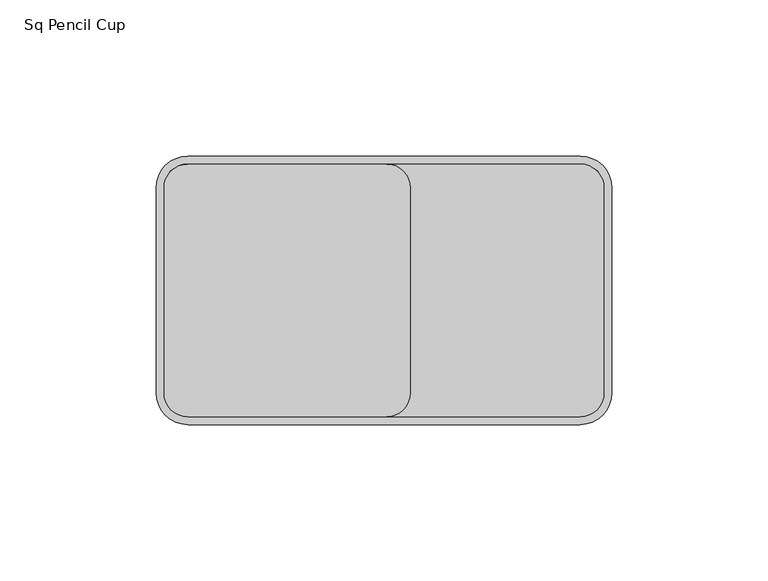
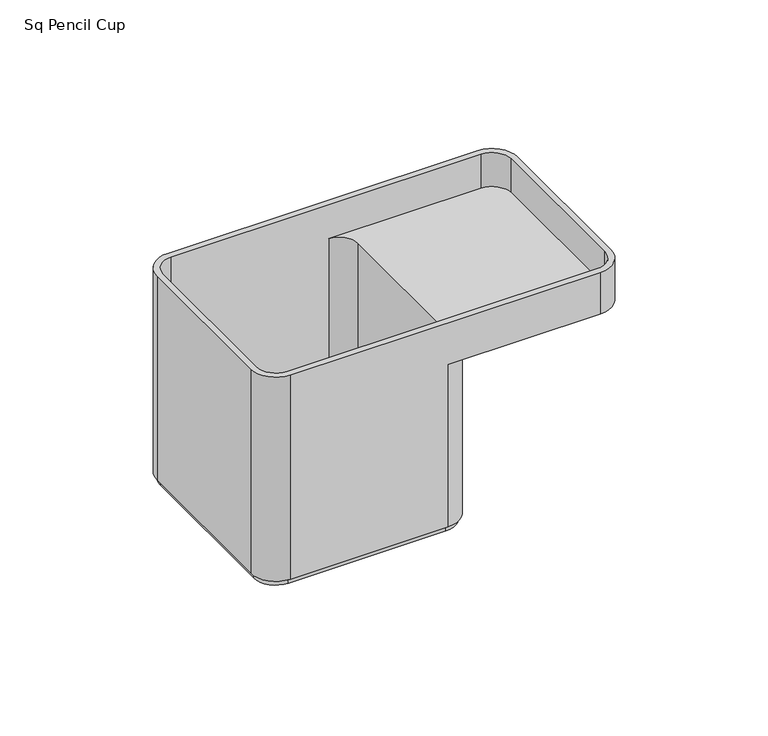
"""IFC4 building model written with IfcOpenShell, lengths in millimetres: furniture geometry, Sq Pencil Cup."""

from ifc_helpers import new_model, si_unit, frame, origin, place, context, project, spatial, polyline, circle_curve, source, transform, mapped, element, save
from ifc_brep_helpers import plane_surface, cylinder_surface, revolved_surface, advanced_brep


def sq_pencil_cup_6a793c5a(model_context):
    return source(origin(), model_context, "Body", "AdvancedBrep", [
        advanced_brep(
        [(135.8368959, 0.0, 826.5922), (10.1623041, 0.0, 826.5922), (0.0, -10.1623041, 826.5922), (0.0, -75.8166959, 826.5922), (10.1623041, -85.979, 826.5922), (135.8368959, -85.979, 826.5922), (145.9992, -75.8166959, 826.5922), (145.9992, -10.1623041, 826.5922), (2.54, -75.8166959, 826.5922), (2.54, -10.1623041, 826.5922), (10.1623041, -2.54, 826.5922), (135.8368959, -2.54, 826.5922), (143.4592, -10.1623041, 826.5922), (143.4592, -75.8166959, 826.5922), (135.8368959, -83.439, 826.5922), (10.1623041, -83.439, 826.5922), (1.27, -10.1623041, 736.6), (10.1623041, -1.27, 736.6), (73.9521, -1.27, 736.6), (82.8421, -10.16, 736.6), (82.8421, -75.819, 736.6), (73.9521, -84.709, 736.6), (10.1623041, -84.709, 736.6), (1.27, -75.8166959, 736.6), (135.8368959, 0.0, 808.8122), (73.9521, 0.0, 808.8122), (73.9521, 0.0, 739.14), (10.1623041, 0.0, 739.14), (0.0, -10.1623041, 739.14), (0.0, -75.8166959, 739.14), (10.1623041, -85.979, 739.14), (73.9521, -85.979, 739.14), (73.9521, -85.979, 808.8122), (135.8368959, -85.979, 808.8122), (145.9992, -75.8166959, 808.8122), (145.9992, -10.1623041, 808.8122), (135.8368959, -83.439, 812.0470343), (143.4592, -75.8166959, 812.0470343), (143.4592, -10.1623041, 812.0470343), (135.8368959, -2.54, 812.0470343), (73.9521, -2.54, 812.0470343), (81.5721, -10.16, 812.0470343), (81.5721, -75.819, 812.0470343), (73.9521, -83.439, 812.0470343), (2.54, -75.8166959, 812.0470343), (2.54, -75.8166959, 739.14), (2.54, -10.1623041, 739.14), (2.54, -10.1623041, 812.0470343), (10.1623041, -83.439, 812.0470343), (73.9521, -83.439, 739.14), (10.1623041, -83.439, 739.14), (10.1623041, -2.54, 812.0470343), (10.1623041, -2.54, 739.14), (73.9521, -2.54, 739.14), (81.5721, -75.819, 739.14), (81.5721, -10.16, 739.14), (84.1121, -10.16, 808.8122), (84.1121, -75.819, 808.8122), (84.1121, -75.819, 739.14), (84.1121, -10.16, 739.14), (1.27, -10.1623041, 739.14), (1.27, -75.8166959, 739.14), (10.1623041, -84.709, 739.14), (73.9521, -84.709, 739.14), (82.8421, -75.819, 739.14), (82.8421, -10.16, 739.14), (73.9521, -1.27, 739.14), (10.1623041, -1.27, 739.14)],
        [
            (0, 1),
            (1, 2, circle_curve(frame((10.1623041, -10.1623041, 826.5922), z_axis=(0.0, 0.0, 1.0), x_axis=(1.0, 0.0, 0.0)), 10.1623041)),
            (2, 3),
            (3, 4, circle_curve(frame((10.1623041, -75.8166959, 826.5922), z_axis=(0.0, 0.0, 1.0), x_axis=(1.0, 0.0, 0.0)), 10.1623041)),
            (4, 5),
            (5, 6, circle_curve(frame((135.8368959, -75.8166959, 826.5922), z_axis=(0.0, 0.0, 1.0), x_axis=(1.0, 0.0, 0.0)), 10.1623041)),
            (6, 7),
            (7, 0, circle_curve(frame((135.8368959, -10.1623041, 826.5922), z_axis=(0.0, 0.0, 1.0), x_axis=(1.0, 0.0, 0.0)), 10.1623041)),
            (8, 9),
            (9, 10, circle_curve(frame((10.1623041, -10.1623041, 826.5922), z_axis=(0.0, 0.0, -1.0), x_axis=(1.0, 0.0, 0.0)), 7.6223041)),
            (10, 11),
            (11, 12, circle_curve(frame((135.8368959, -10.1623041, 826.5922), z_axis=(0.0, 0.0, -1.0), x_axis=(1.0, 0.0, 0.0)), 7.6223041)),
            (12, 13),
            (13, 14, circle_curve(frame((135.8368959, -75.8166959, 826.5922), z_axis=(0.0, 0.0, -1.0), x_axis=(1.0, 0.0, 0.0)), 7.6223041)),
            (14, 15),
            (15, 8, circle_curve(frame((10.1623041, -75.8166959, 826.5922), z_axis=(0.0, 0.0, -1.0), x_axis=(1.0, 0.0, 0.0)), 7.6223041)),
            (16, 17, circle_curve(frame((10.1623041, -10.1623041, 736.6), z_axis=(0.0, 0.0, -1.0), x_axis=(1.0, 0.0, 0.0)), 8.8923041)),
            (17, 18),
            (18, 19, circle_curve(frame((73.9521, -10.16, 736.6), z_axis=(0.0, 0.0, -1.0), x_axis=(1.0, 0.0, 0.0)), 8.89)),
            (19, 20),
            (20, 21, circle_curve(frame((73.9521, -75.819, 736.6), z_axis=(0.0, 0.0, -1.0), x_axis=(1.0, 0.0, 0.0)), 8.89)),
            (21, 22),
            (22, 23, circle_curve(frame((10.1623041, -75.8166959, 736.6), z_axis=(0.0, 0.0, -1.0), x_axis=(1.0, 0.0, 0.0)), 8.8923041)),
            (23, 16),
            (0, 24),
            (24, 25),
            (25, 26),
            (26, 27),
            (27, 1),
            (27, 28, circle_curve(frame((10.1623041, -10.1623041, 739.14), z_axis=(0.0, 0.0, 1.0), x_axis=(1.0, 0.0, 0.0)), 10.1623041)),
            (28, 2),
            (28, 29),
            (29, 3),
            (29, 30, circle_curve(frame((10.1623041, -75.8166959, 739.14), z_axis=(0.0, 0.0, 1.0), x_axis=(1.0, 0.0, 0.0)), 10.1623041)),
            (30, 4),
            (30, 31),
            (31, 32),
            (32, 33),
            (33, 5),
            (33, 34, circle_curve(frame((135.8368959, -75.8166959, 808.8122), z_axis=(0.0, 0.0, 1.0), x_axis=(1.0, 0.0, 0.0)), 10.1623041)),
            (34, 6),
            (34, 35),
            (35, 7),
            (35, 24, circle_curve(frame((135.8368959, -10.1623041, 808.8122), z_axis=(0.0, 0.0, 1.0), x_axis=(1.0, 0.0, 0.0)), 10.1623041)),
            (36, 37, circle_curve(frame((135.8368959, -75.8166959, 812.0470343), z_axis=(0.0, 0.0, 1.0), x_axis=(1.0, 0.0, 0.0)), 7.6223041)),
            (37, 38),
            (38, 39, circle_curve(frame((135.8368959, -10.1623041, 812.0470343), z_axis=(0.0, 0.0, 1.0), x_axis=(1.0, 0.0, 0.0)), 7.6223041)),
            (39, 40),
            (40, 41, circle_curve(frame((73.9521, -10.16, 812.0470343), z_axis=(0.0, 0.0, -1.0), x_axis=(1.0, 0.0, 0.0)), 7.62)),
            (41, 42),
            (42, 43, circle_curve(frame((73.9521, -75.819, 812.0470343), z_axis=(0.0, 0.0, -1.0), x_axis=(1.0, 0.0, 0.0)), 7.62)),
            (43, 36),
            (8, 44),
            (44, 45),
            (45, 46),
            (46, 47),
            (47, 9),
            (15, 48),
            (48, 44, circle_curve(frame((10.1623041, -75.8166959, 812.0470343), z_axis=(0.0, 0.0, -1.0), x_axis=(1.0, 0.0, 0.0)), 7.6223041)),
            (14, 36),
            (43, 49),
            (49, 50),
            (50, 48),
            (13, 37),
            (12, 38),
            (11, 39),
            (10, 51),
            (51, 52),
            (52, 53),
            (53, 40),
            (47, 51, circle_curve(frame((10.1623041, -10.1623041, 812.0470343), z_axis=(0.0, 0.0, -1.0), x_axis=(1.0, 0.0, 0.0)), 7.6223041)),
            (52, 46, circle_curve(frame((10.1623041, -10.1623041, 739.14), z_axis=(0.0, 0.0, 1.0), x_axis=(1.0, 0.0, 0.0)), 7.6223041)),
            (45, 50, circle_curve(frame((10.1623041, -75.8166959, 739.14), z_axis=(0.0, 0.0, 1.0), x_axis=(1.0, 0.0, 0.0)), 7.6223041)),
            (49, 54, circle_curve(frame((73.9521, -75.819, 739.14), z_axis=(0.0, 0.0, 1.0), x_axis=(1.0, 0.0, 0.0)), 7.62)),
            (54, 55),
            (55, 53, circle_curve(frame((73.9521, -10.16, 739.14), z_axis=(0.0, 0.0, 1.0), x_axis=(1.0, 0.0, 0.0)), 7.62)),
            (42, 54),
            (41, 55),
            (56, 25, circle_curve(frame((73.9521, -10.16, 808.8122), z_axis=(0.0, 0.0, 1.0), x_axis=(1.0, 0.0, 0.0)), 10.16)),
            (32, 57, circle_curve(frame((73.9521, -75.819, 808.8122), z_axis=(0.0, 0.0, 1.0), x_axis=(1.0, 0.0, 0.0)), 10.16)),
            (57, 56),
            (57, 58),
            (58, 59),
            (59, 56),
            (31, 58, circle_curve(frame((73.9521, -75.819, 739.14), z_axis=(0.0, 0.0, 1.0), x_axis=(1.0, 0.0, 0.0)), 10.16)),
            (59, 26, circle_curve(frame((73.9521, -10.16, 739.14), z_axis=(0.0, 0.0, 1.0), x_axis=(1.0, 0.0, 0.0)), 10.16)),
            (60, 61),
            (61, 62, circle_curve(frame((10.1623041, -75.8166959, 739.14), z_axis=(0.0, 0.0, 1.0), x_axis=(1.0, 0.0, 0.0)), 8.8923041)),
            (62, 63),
            (63, 64, circle_curve(frame((73.9521, -75.819, 739.14), z_axis=(0.0, 0.0, 1.0), x_axis=(1.0, 0.0, 0.0)), 8.89)),
            (64, 65),
            (65, 66, circle_curve(frame((73.9521, -10.16, 739.14), z_axis=(0.0, 0.0, 1.0), x_axis=(1.0, 0.0, 0.0)), 8.89)),
            (66, 67),
            (67, 60, circle_curve(frame((10.1623041, -10.1623041, 739.14), z_axis=(0.0, 0.0, 1.0), x_axis=(1.0, 0.0, 0.0)), 8.8923041)),
            (67, 17),
            (16, 60),
            (66, 18),
            (65, 19),
            (64, 20),
            (63, 21),
            (62, 22),
            (61, 23),
        ],
        [
            plane_surface(frame((10.1623041, 0.0, 826.5922), z_axis=(0.0, 0.0, 1.0), x_axis=(-1.0, 0.0, 0.0))),
            plane_surface(frame((10.1623041, 0.0, 736.6), z_axis=(0.0, 0.0, -1.0), x_axis=(1.0, 0.0, 0.0))),
            plane_surface(frame((135.8368959, 0.0, 826.5922), z_axis=(0.0, 1.0, 0.0), x_axis=(0.0, 0.0, -1.0))),
            cylinder_surface(frame((10.1623041, -10.1623041, 736.6), z_axis=(0.0, 0.0, 1.0), x_axis=(1.0, 0.0, 0.0)), 10.1623041),
            plane_surface(frame((0.0, -10.1623041, 826.5922), z_axis=(-1.0, 0.0, 0.0), x_axis=(0.0, 0.0, -1.0))),
            cylinder_surface(frame((10.1623041, -75.8166959, 736.6), z_axis=(0.0, 0.0, 1.0), x_axis=(1.0, 0.0, 0.0)), 10.1623041),
            plane_surface(frame((10.1623041, -85.979, 826.5922), z_axis=(0.0, -1.0, 0.0), x_axis=(0.0, 0.0, -1.0))),
            cylinder_surface(frame((135.8368959, -75.8166959, 736.6), z_axis=(0.0, 0.0, 1.0), x_axis=(1.0, 0.0, 0.0)), 10.1623041),
            plane_surface(frame((145.9992, -75.8166959, 826.5922), z_axis=(1.0, 0.0, 0.0), x_axis=(0.0, 0.0, -1.0))),
            cylinder_surface(frame((135.8368959, -10.1623041, 736.6), z_axis=(0.0, 0.0, 1.0), x_axis=(1.0, 0.0, 0.0)), 10.1623041),
            plane_surface(frame((2.54, -10.1623041, 812.0470343), z_axis=(0.0, 0.0, 1.0), x_axis=(0.0, 1.0, 0.0))),
            plane_surface(frame((2.54, -10.1623041, 826.5922), z_axis=(1.0, 0.0, 0.0), x_axis=(0.0, 0.0, -1.0))),
            revolved_surface(polyline([(17.7846082, -75.8166959, 826.5922), (17.7846082, -75.8166959, 812.0470343)]), (10.1623041, -75.8166959, 812.0470343), (0.0, 0.0, 1.0)),
            plane_surface(frame((10.1623041, -83.439, 826.5922), z_axis=(0.0, 1.0, 0.0), x_axis=(0.0, 0.0, -1.0))),
            revolved_surface(polyline([(143.4592, -75.8166959, 826.5922), (143.4592, -75.8166959, 812.0470343)]), (135.8368959, -75.8166959, 812.0470343), (0.0, 0.0, 1.0)),
            plane_surface(frame((143.4592, -75.8166959, 826.5922), z_axis=(-1.0, 0.0, 0.0), x_axis=(0.0, 0.0, -1.0))),
            revolved_surface(polyline([(143.4592, -10.1623041, 826.5922), (143.4592, -10.1623041, 812.0470343)]), (135.8368959, -10.1623041, 812.0470343), (0.0, 0.0, 1.0)),
            plane_surface(frame((135.8368959, -2.54, 826.5922), z_axis=(0.0, -1.0, 0.0), x_axis=(0.0, 0.0, -1.0))),
            revolved_surface(polyline([(17.7846082, -10.1623041, 826.5922), (17.7846082, -10.1623041, 812.0470343)]), (10.1623041, -10.1623041, 812.0470343), (0.0, 0.0, 1.0)),
            plane_surface(frame((73.9521, -2.54, 739.14), z_axis=(0.0, 0.0, 1.0), x_axis=(1.0, 0.0, 0.0))),
            revolved_surface(polyline([(17.7846082, -10.1623041, 812.0470343), (17.7846082, -10.1623041, 739.14)]), (10.1623041, -10.1623041, 739.14), (0.0, 0.0, 1.0)),
            revolved_surface(polyline([(17.7846082, -75.8166959, 812.0470343), (17.7846082, -75.8166959, 739.14)]), (10.1623041, -75.8166959, 739.14), (0.0, 0.0, 1.0)),
            revolved_surface(polyline([(81.5721, -75.819, 812.0470343), (81.5721, -75.819, 739.14)]), (73.9521, -75.819, 739.14), (0.0, 0.0, 1.0)),
            plane_surface(frame((81.5721, -75.819, 812.0470343), z_axis=(-1.0, 0.0, 0.0), x_axis=(0.0, 0.0, -1.0))),
            revolved_surface(polyline([(81.5721, -10.16, 812.0470343), (81.5721, -10.16, 739.14)]), (73.9521, -10.16, 739.14), (0.0, 0.0, 1.0)),
            plane_surface(frame((84.1121, -10.16, 808.8122), z_axis=(0.0, 0.0, -1.0), x_axis=(0.0, -1.0, 0.0))),
            plane_surface(frame((84.1121, -10.16, 808.8122), z_axis=(1.0, 0.0, 0.0), x_axis=(0.0, 0.0, -1.0))),
            cylinder_surface(frame((73.9521, -75.819, 736.6), z_axis=(0.0, 0.0, -1.0), x_axis=(1.0, 0.0, 0.0)), 10.16),
            cylinder_surface(frame((73.9521, -10.16, 736.6), z_axis=(0.0, 0.0, -1.0), x_axis=(1.0, 0.0, 0.0)), 10.16),
            plane_surface(frame((19.0546082, -10.1623041, 739.14), z_axis=(0.0, 0.0, -1.0), x_axis=(0.0, -1.0, 0.0))),
            cylinder_surface(frame((10.1623041, -10.1623041, 736.6), z_axis=(0.0, 0.0, -1.0), x_axis=(1.0, 0.0, 0.0)), 8.8923041),
            plane_surface(frame((10.1623041, -1.27, 739.14), z_axis=(0.0, 1.0, 0.0), x_axis=(0.0, 0.0, -1.0))),
            cylinder_surface(frame((73.9521, -10.16, 736.6), z_axis=(0.0, 0.0, -1.0), x_axis=(1.0, 0.0, 0.0)), 8.89),
            plane_surface(frame((82.8421, -10.16, 739.14), z_axis=(1.0, 0.0, 0.0), x_axis=(0.0, 0.0, -1.0))),
            cylinder_surface(frame((73.9521, -75.819, 736.6), z_axis=(0.0, 0.0, -1.0), x_axis=(1.0, 0.0, 0.0)), 8.89),
            plane_surface(frame((73.9521, -84.709, 739.14), z_axis=(0.0, -1.0, 0.0), x_axis=(0.0, 0.0, -1.0))),
            cylinder_surface(frame((10.1623041, -75.8166959, 736.6), z_axis=(0.0, 0.0, -1.0), x_axis=(1.0, 0.0, 0.0)), 8.8923041),
            plane_surface(frame((1.27, -75.8166959, 739.14), z_axis=(-1.0, 0.0, 0.0), x_axis=(0.0, 0.0, -1.0))),
        ],
        [
            (0, [[1, 2, 3, 4, 5, 6, 7, 8], [9, 10, 11, 12, 13, 14, 15, 16]]),
            (1, [[17, 18, 19, 20, 21, 22, 23, 24]]),
            (2, [[-1, 25, 26, 27, 28, 29]]),
            (3, [[-2, -29, 30, 31]]),
            (4, [[-3, -31, 32, 33]]),
            (5, [[-4, -33, 34, 35]]),
            (6, [[-5, -35, 36, 37, 38, 39]]),
            (7, [[-6, -39, 40, 41]]),
            (8, [[-7, -41, 42, 43]]),
            (9, [[-8, -43, 44, -25]]),
            (10, [[45, 46, 47, 48, 49, 50, 51, 52]]),
            (11, [[53, 54, 55, 56, 57, -9]]),
            (12, [[-53, -16, 58, 59]]),
            (13, [[-58, -15, 60, -52, 61, 62, 63]]),
            (14, [[-45, -60, -14, 64]]),
            (15, [[-46, -64, -13, 65]]),
            (16, [[-47, -65, -12, 66]]),
            (17, [[-66, -11, 67, 68, 69, 70, -48]]),
            (18, [[-57, 71, -67, -10]]),
            (19, [[-69, 72, -55, 73, -62, 74, 75, 76]]),
            (20, [[-72, -68, -71, -56]]),
            (21, [[-73, -54, -59, -63]]),
            (22, [[-74, -61, -51, 77]]),
            (23, [[-75, -77, -50, 78]]),
            (24, [[-76, -78, -49, -70]]),
            (25, [[79, -26, -44, -42, -40, -38, 80, 81]]),
            (26, [[-81, 82, 83, 84]]),
            (27, [[-80, -37, 85, -82]]),
            (28, [[-79, -84, 86, -27]]),
            (29, [[-28, -86, -83, -85, -36, -34, -32, -30], [87, 88, 89, 90, 91, 92, 93, 94]]),
            (30, [[-94, 95, -17, 96]]),
            (31, [[-93, 97, -18, -95]]),
            (32, [[-92, 98, -19, -97]]),
            (33, [[-91, 99, -20, -98]]),
            (34, [[-90, 100, -21, -99]]),
            (35, [[-89, 101, -22, -100]]),
            (36, [[-88, 102, -23, -101]]),
            (37, [[-87, -96, -24, -102]]),
        ],
    ),
    ])


if __name__ == "__main__":
    model = new_model("IFC4")
    model_context = context("Model", 3, world=origin())
    ifc_project = project(units=[si_unit("LENGTHUNIT", "METRE", prefix="MILLI")], contexts=[model_context])
    site = spatial("IfcSite", under=ifc_project)
    building = spatial("IfcBuilding", under=site)
    placement = place(None, origin())
    sq_pencil_cup_shape = sq_pencil_cup_6a793c5a(model_context)
    element("IfcFurniture", 1, ObjectType="Sq Pencil Cup", at=placement, inside=building, context=model_context, shape_type="MappedRepresentation", body=[
        mapped(sq_pencil_cup_shape, transform((0.0, 0.0, 0.0), x_axis=(1.0, 0.0, 0.0), y_axis=(0.0, 1.0, 0.0), z_axis=(0.0, 0.0, 1.0))),
    ])
    save(model, "model.ifc")
